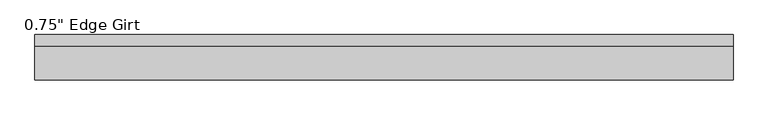
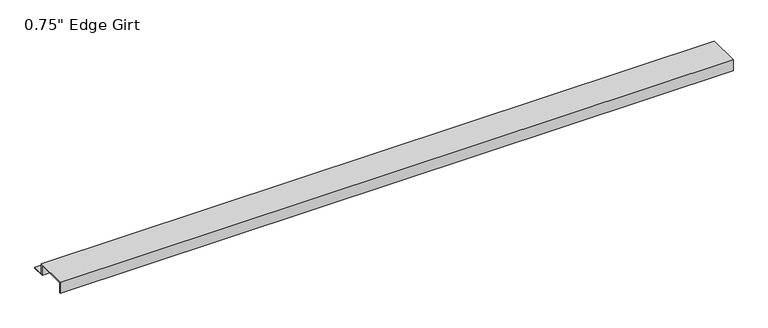
"""IFC4 building model written with IfcOpenShell, lengths in millimetres: proxy geometry."""

import ifcopenshell
import ifcopenshell.guid

model = None  # the IFC model being written
_history = None  # IfcOwnerHistory: only IFC2X3 demands one
_inside = {}  # id of a spatial element -> (the spatial element, [elements in it])
_under = {}  # id of a project, library or spatial element -> (it, [spatial elements below it])
_declared = {}  # id of a project -> (the project, [libraries it declares])
_typed = {}  # id of a type object -> (the type object, [elements of that type])
_made_of = {}  # id of a material, layer set ... -> (it, [elements and type objects made of it])


def new_model(schema):
    """Start an empty IFC model of exactly this schema.

    Asked for "IFC4X3", IfcOpenShell would pick the latest addendum, in which some entities
    have other attributes; the version numbers below select the first issue.
    IFC2X3 requires an IfcOwnerHistory on every rooted entity: one is made here for all.
    """
    global model, _history
    if schema == "IFC4X3":
        model = ifcopenshell.file(schema_version=(4, 3, 0, 0))
    else:
        model = ifcopenshell.file(schema=schema)
    _inside.clear()
    _under.clear()
    _declared.clear()
    _typed.clear()
    _made_of.clear()
    _history = None
    if model.schema == "IFC2X3":
        org = make("IfcOrganization", Name="unknown")
        user = make(
            "IfcPersonAndOrganization",
            ThePerson=make("IfcPerson", FamilyName="unknown"),
            TheOrganization=org,
        )
        app = make(
            "IfcApplication",
            ApplicationDeveloper=org,
            Version="unknown",
            ApplicationFullName="unknown",
            ApplicationIdentifier="unknown",
        )
        _history = make(
            "IfcOwnerHistory",
            OwningUser=user,
            OwningApplication=app,
            ChangeAction="ADDED",
            CreationDate=0,
        )
    return model


def make(cls, **values):
    """One entity of the class cls with the attributes given. An attribute that is None is left unset."""
    return model.create_entity(
        cls, **{name: value for name, value in values.items() if value is not None}
    )


def rooted(cls, **values):
    """An entity with a GlobalId (a new one), such as an element, a storey or a relation."""
    return make(cls, GlobalId=ifcopenshell.guid.new(), OwnerHistory=_history, **values)


def si_unit(unit_type, name, prefix=None):
    """IfcSIUnit, for example si_unit("LENGTHUNIT", "METRE", prefix="MILLI")."""
    return make("IfcSIUnit", UnitType=unit_type, Prefix=prefix, Name=name)


def assignment(units):
    """IfcUnitAssignment: the units of a project."""
    return None if units is None else make("IfcUnitAssignment", Units=units)


def point(xyz):
    """IfcCartesianPoint."""
    return None if xyz is None else make("IfcCartesianPoint", Coordinates=xyz)


def direction(xyz):
    """IfcDirection."""
    return None if xyz is None else make("IfcDirection", DirectionRatios=xyz)


def frame(location, z_axis=None, x_axis=None):
    """IfcAxis2Placement3D, a coordinate frame: its origin and axes. An axis left out is left unset."""
    return make(
        "IfcAxis2Placement3D",
        Location=point(location),
        Axis=direction(z_axis),
        RefDirection=direction(x_axis),
    )


def origin():
    """The frame at (0, 0, 0) with its axes left unset."""
    return frame((0.0, 0.0, 0.0))


def place(relative_to, where):
    """IfcLocalPlacement: puts the frame where relative to a parent placement (None: the world)."""
    return make(
        "IfcLocalPlacement", PlacementRelTo=relative_to, RelativePlacement=where
    )


def context(
    kind, dimensions, precision=None, world=None, true_north=None, identifier=None
):
    """IfcGeometricRepresentationContext, for example the 3D "Model" context."""
    return make(
        "IfcGeometricRepresentationContext",
        ContextIdentifier=identifier,
        ContextType=kind,
        CoordinateSpaceDimension=dimensions,
        Precision=precision,
        WorldCoordinateSystem=world,
        TrueNorth=true_north,
    )


def project(units=None, contexts=None):
    """IfcProject with its units and contexts."""
    return rooted(
        "IfcProject",
        Name="project",
        RepresentationContexts=contexts,
        UnitsInContext=assignment(units),
    )


def spatial(cls, under=None, at=None, **own):
    """A site, building, storey or space (cls), placed at a placement, below another one or the project."""
    s = rooted(cls, ObjectPlacement=at, **own)
    if under is not None:
        _under.setdefault(under.id(), (under, []))[1].append(s)
    return s


def polyline(points):
    """IfcPolyline through the points."""
    return make("IfcPolyline", Points=[point(p) for p in points])


def outline(outer, holes=None, kind="AREA"):
    """IfcArbitraryClosedProfileDef: a profile drawn as a closed curve; with holes, ...WithVoids."""
    if holes is None:
        return make("IfcArbitraryClosedProfileDef", ProfileType=kind, OuterCurve=outer)
    return make(
        "IfcArbitraryProfileDefWithVoids",
        ProfileType=kind,
        OuterCurve=outer,
        InnerCurves=holes,
    )


def extrude(swept, where, along, depth):
    """IfcExtrudedAreaSolid: the profile swept, set in the frame where, extruded along a direction by depth."""
    return make(
        "IfcExtrudedAreaSolid",
        SweptArea=swept,
        Position=where,
        ExtrudedDirection=direction(along),
        Depth=depth,
    )


def shape(context_of_items, identifier, shape_type, items):
    """IfcShapeRepresentation: the items that make up one representation, for example the "Body"."""
    return make(
        "IfcShapeRepresentation",
        ContextOfItems=context_of_items,
        RepresentationIdentifier=identifier,
        RepresentationType=shape_type,
        Items=items,
    )


def source(mapping_origin, context_of_items, identifier, shape_type, items):
    """IfcRepresentationMap: a shape defined once, which mapped items show again and again."""
    return make(
        "IfcRepresentationMap",
        MappingOrigin=mapping_origin,
        MappedRepresentation=shape(context_of_items, identifier, shape_type, items),
    )


def transform(
    local_origin,
    x_axis=None,
    y_axis=None,
    z_axis=None,
    scale=None,
    scale2=None,
    scale3=None,
    uniform=True,
):
    """IfcCartesianTransformationOperator3D, or its non-uniform kind. x_axis, y_axis, z_axis: its Axis1, 2, 3."""
    if uniform:
        return make(
            "IfcCartesianTransformationOperator3D",
            Axis1=direction(x_axis),
            Axis2=direction(y_axis),
            LocalOrigin=point(local_origin),
            Scale=scale,
            Axis3=direction(z_axis),
        )
    return make(
        "IfcCartesianTransformationOperator3DnonUniform",
        Axis1=direction(x_axis),
        Axis2=direction(y_axis),
        LocalOrigin=point(local_origin),
        Scale=scale,
        Axis3=direction(z_axis),
        Scale2=scale2,
        Scale3=scale3,
    )


def mapped(mapping_source, mapping_target):
    """IfcMappedItem: shows the shape of a source again, moved by a transform."""
    return make(
        "IfcMappedItem", MappingSource=mapping_source, MappingTarget=mapping_target
    )


def made_of(thing, what):
    """Note that an element or type object is made of a material, layer set ...; save() writes the relation."""
    if what is not None:
        _made_of.setdefault(what.id(), (what, []))[1].append(thing)
    return thing


def element(
    cls,
    number,
    at=None,
    inside=None,
    cuts=None,
    type_object=None,
    material=None,
    context=None,
    identifier="Body",
    shape_type=None,
    held_by="IfcProductDefinitionShape",
    body=None,
    shapes=None,
    **own,
):
    """One element of the class cls, such as IfcWall. Its Tag is "e" and its number.

    at: its placement. inside: the storey or other place that contains it. cuts: it is an
    opening in that element (IfcRelVoidsElement). A single representation is given by context,
    identifier, shape_type and body (its items); several are given by shapes. held_by: the class
    of the entity that holds the representations. save() writes the other relations.
    """
    e = rooted(cls, Tag="e%d" % number, ObjectPlacement=at, **own)
    if body is not None:
        shapes = [shape(context, identifier, shape_type, body)]
    if shapes is not None:
        e.Representation = make(held_by, Representations=shapes)
    if inside is not None:
        _inside.setdefault(inside.id(), (inside, []))[1].append(e)
    if cuts is not None:
        rooted(
            "IfcRelVoidsElement", RelatingBuildingElement=cuts, RelatedOpeningElement=e
        )
    if type_object is not None:
        _typed.setdefault(type_object.id(), (type_object, []))[1].append(e)
    return made_of(e, material)


def aggregate(whole, parts):
    """IfcRelAggregates: a whole, such as a stair, and the parts it consists of."""
    return rooted("IfcRelAggregates", RelatingObject=whole, RelatedObjects=parts)


def save(model, path):
    """Write the relations noted so far, then the file.

    IfcRelAggregates (storeys below a building ...), IfcRelContainedInSpatialStructure (elements
    in a storey), IfcRelDefinesByType, IfcRelAssociatesMaterial and IfcRelDeclares: one each for
    every whole, place, type object, material and project.
    """
    for whole, parts in _under.values():
        aggregate(whole, parts)
    for where, things in _inside.values():
        rooted(
            "IfcRelContainedInSpatialStructure",
            RelatedElements=things,
            RelatingStructure=where,
        )
    for kind, things in _typed.values():
        rooted("IfcRelDefinesByType", RelatedObjects=things, RelatingType=kind)
    for what, things in _made_of.values():
        rooted("IfcRelAssociatesMaterial", RelatedObjects=things, RelatingMaterial=what)
    for by, libraries in _declared.values():
        rooted("IfcRelDeclares", RelatingContext=by, RelatedDefinitions=libraries)
    model.write(path)


def proxy_7570b92d(model_context):
    return source(origin(), model_context, "Body", "SweptSolid", [
        extrude(outline(polyline([(46.0559645, -17.4375), (25.4, -17.4375), (25.4, 0.0), (-25.4, 0.0), (-25.4, -17.4375), (-27.0129, -17.4375), (-27.0129, 1.6129), (27.0129, 1.6129), (27.0129, -15.8242), (46.0559645, -15.8242), (46.0559645, -17.4375)])), frame((0.0, 0.0, 0.0), z_axis=(1.0, 0.0, 0.0), x_axis=(0.0, 1.0, 0.0)), (0.0, 0.0, 1.0), 1127.0880709),
    ])


if __name__ == "__main__":
    model = new_model("IFC4")
    model_context = context("Model", 3, world=origin())
    ifc_project = project(units=[si_unit("LENGTHUNIT", "METRE", prefix="MILLI")], contexts=[model_context])
    site = spatial("IfcSite", under=ifc_project)
    building = spatial("IfcBuilding", under=site)
    placement = place(None, origin())
    proxy_shape = proxy_7570b92d(model_context)
    element("IfcBuildingElementProxy", 1, Name="0.75\" Edge Girt", ObjectType="0.75\" Edge Girt", at=placement, inside=building, context=model_context, shape_type="MappedRepresentation", body=[
        mapped(proxy_shape, transform((0.0, 0.0, 0.0), x_axis=(1.0, 0.0, 0.0), y_axis=(0.0, 1.0, 0.0), z_axis=(0.0, 0.0, 1.0))),
    ])
    save(model, "model.ifc")
